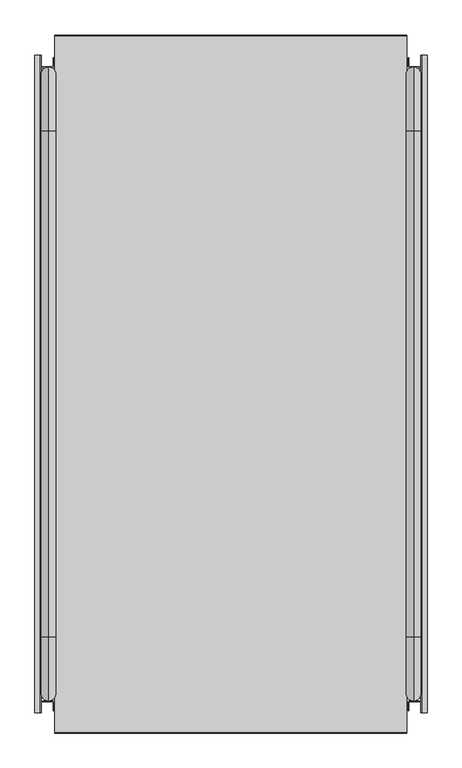
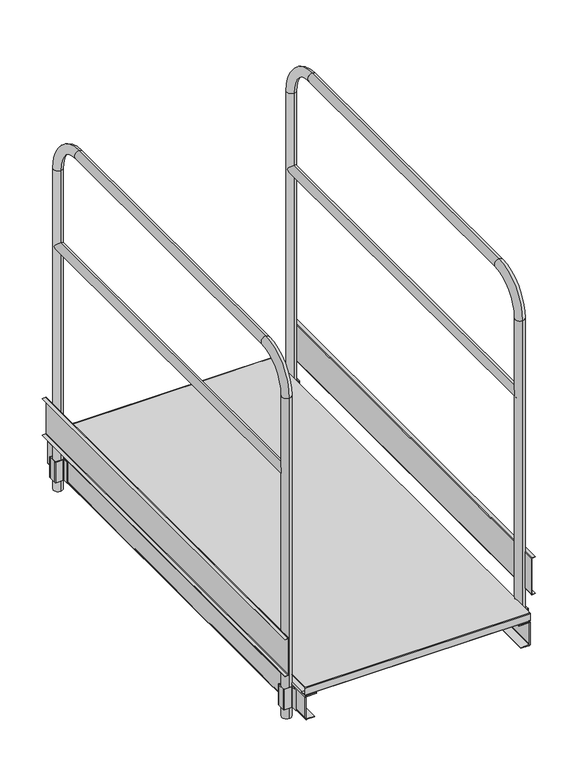
"""IFC4 building model written with IfcOpenShell, lengths in millimetres: proxy geometry."""

from ifc_helpers import new_model, si_unit, point, frame, frame_2d, origin, place, context, project, spatial, polyline, circle_curve, ellipse_curve, trimmed, segment, composite_curve, outline, extrude, source, transform, mapped, element, save
from ifc_brep_helpers import plane_surface, cylinder_surface, revolved_surface, advanced_brep


def generic_models_36c819cc(model_context):
    return source(origin(), model_context, "Body", "SolidModel", [
        extrude(outline(composite_curve([segment(polyline([(-406.4, -1472.0), (-406.4, -1491.4748817)]), True, "CONTINUOUS"), segment(trimmed(circle_curve(frame_2d((-409.4230444, -1491.4748817)), 3.0230444), [point((-406.4, -1491.4748817))], [point((-409.4230444, -1494.497926))], False, "CARTESIAN"), True, "CONTINUOUS"), segment(polyline([(-409.4230444, -1494.497926), (-435.9451631, -1494.497926)]), True, "CONTINUOUS"), segment(trimmed(circle_curve(frame_2d((-435.9451631, -1495.948615)), 1.450689), [point((-435.9451631, -1494.497926))], [point((-437.395852, -1495.948615))], True, "CARTESIAN"), True, "CONTINUOUS"), segment(polyline([(-437.395852, -1495.948615), (-437.395852, -1525.0309176)]), True, "CONTINUOUS"), segment(trimmed(circle_curve(frame_2d((-435.9329915, -1525.0309176)), 1.4628605), [point((-437.395852, -1525.0309176))], [point((-435.9329915, -1526.493778))], True, "CARTESIAN"), True, "CONTINUOUS"), segment(polyline([(-435.9329915, -1526.493778), (-409.3500083, -1526.493778)]), True, "CONTINUOUS"), segment(trimmed(circle_curve(frame_2d((-409.3500083, -1529.4437864)), 2.9500083), [point((-409.3500083, -1526.493778))], [point((-406.4, -1529.4437864))], False, "CARTESIAN"), True, "CONTINUOUS"), segment(polyline([(-406.4, -1529.4437864), (-406.4, -1548.9917041), (-407.9, -1548.9917041), (-407.9, -1529.4496571)]), True, "CONTINUOUS"), segment(trimmed(circle_curve(frame_2d((-409.3558791, -1529.4496571)), 1.4558791), [point((-407.9, -1529.4496571))], [point((-409.3558791, -1527.993778))], True, "CARTESIAN"), True, "CONTINUOUS"), segment(polyline([(-409.3558791, -1527.993778), (-435.9258011, -1527.993778)]), True, "CONTINUOUS"), segment(trimmed(circle_curve(frame_2d((-435.9258011, -1525.0237271)), 2.970051), [point((-435.9258011, -1527.993778))], [point((-438.895852, -1525.0237271))], False, "CARTESIAN"), True, "CONTINUOUS"), segment(polyline([(-438.895852, -1525.0237271), (-438.895852, -1496.0384913)]), True, "CONTINUOUS"), segment(trimmed(circle_curve(frame_2d((-435.8552868, -1496.0384913)), 3.0405652), [point((-438.895852, -1496.0384913))], [point((-435.8552868, -1492.997926))], False, "CARTESIAN"), True, "CONTINUOUS"), segment(polyline([(-435.8552868, -1492.997926), (-409.4117829, -1492.997926)]), True, "CONTINUOUS"), segment(trimmed(circle_curve(frame_2d((-409.4117829, -1491.4861431)), 1.5117829), [point((-409.4117829, -1492.997926))], [point((-407.9, -1491.4861431))], True, "CARTESIAN"), True, "CONTINUOUS"), segment(polyline([(-407.9, -1491.4861431), (-407.9, -1472.0), (-406.4, -1472.0)]), True, "CONTINUOUS")], self_intersect=False)), frame((0.0, 0.0, 40.0), z_axis=(0.0, 0.0, 1.0), x_axis=(1.0, 0.0, 0.0)), (0.0, 0.0, 1.0), 77.0),
        extrude(outline(composite_curve([segment(polyline([(-406.4, -52.0), (-406.4, -71.4748817)]), True, "CONTINUOUS"), segment(trimmed(circle_curve(frame_2d((-409.4230444, -71.4748817)), 3.0230444), [point((-406.4, -71.4748817))], [point((-409.4230444, -74.497926))], False, "CARTESIAN"), True, "CONTINUOUS"), segment(polyline([(-409.4230444, -74.497926), (-435.9451631, -74.497926)]), True, "CONTINUOUS"), segment(trimmed(circle_curve(frame_2d((-435.9451631, -75.948615)), 1.450689), [point((-435.9451631, -74.497926))], [point((-437.395852, -75.948615))], True, "CARTESIAN"), True, "CONTINUOUS"), segment(polyline([(-437.395852, -75.948615), (-437.395852, -105.0309176)]), True, "CONTINUOUS"), segment(trimmed(circle_curve(frame_2d((-435.9329915, -105.0309176)), 1.4628605), [point((-437.395852, -105.0309176))], [point((-435.9329915, -106.493778))], True, "CARTESIAN"), True, "CONTINUOUS"), segment(polyline([(-435.9329915, -106.493778), (-409.3500083, -106.493778)]), True, "CONTINUOUS"), segment(trimmed(circle_curve(frame_2d((-409.3500083, -109.4437864)), 2.9500083), [point((-409.3500083, -106.493778))], [point((-406.4, -109.4437864))], False, "CARTESIAN"), True, "CONTINUOUS"), segment(polyline([(-406.4, -109.4437864), (-406.4, -128.9917041), (-407.9, -128.9917041), (-407.9, -109.4496571)]), True, "CONTINUOUS"), segment(trimmed(circle_curve(frame_2d((-409.3558791, -109.4496571)), 1.4558791), [point((-407.9, -109.4496571))], [point((-409.3558791, -107.993778))], True, "CARTESIAN"), True, "CONTINUOUS"), segment(polyline([(-409.3558791, -107.993778), (-435.9258011, -107.993778)]), True, "CONTINUOUS"), segment(trimmed(circle_curve(frame_2d((-435.9258011, -105.0237271)), 2.970051), [point((-435.9258011, -107.993778))], [point((-438.895852, -105.0237271))], False, "CARTESIAN"), True, "CONTINUOUS"), segment(polyline([(-438.895852, -105.0237271), (-438.895852, -76.0384913)]), True, "CONTINUOUS"), segment(trimmed(circle_curve(frame_2d((-435.8552868, -76.0384913)), 3.0405652), [point((-438.895852, -76.0384913))], [point((-435.8552868, -72.997926))], False, "CARTESIAN"), True, "CONTINUOUS"), segment(polyline([(-435.8552868, -72.997926), (-409.4117829, -72.997926)]), True, "CONTINUOUS"), segment(trimmed(circle_curve(frame_2d((-409.4117829, -71.4861431)), 1.5117829), [point((-409.4117829, -72.997926))], [point((-407.9, -71.4861431))], True, "CARTESIAN"), True, "CONTINUOUS"), segment(polyline([(-407.9, -71.4861431), (-407.9, -52.0), (-406.4, -52.0)]), True, "CONTINUOUS")], self_intersect=False)), frame((0.0, 0.0, 39.9), z_axis=(0.0, 0.0, 1.0), x_axis=(1.0, 0.0, 0.0)), (0.0, 0.0, 1.0), 77.1),
        extrude(outline(composite_curve([segment(polyline([(406.4, -1472.0), (407.9, -1472.0), (407.9, -1491.4861431)]), True, "CONTINUOUS"), segment(trimmed(circle_curve(frame_2d((409.4117829, -1491.4861431)), 1.5117829), [point((407.9, -1491.4861431))], [point((409.4117829, -1492.997926))], True, "CARTESIAN"), True, "CONTINUOUS"), segment(polyline([(409.4117829, -1492.997926), (435.8552868, -1492.997926)]), True, "CONTINUOUS"), segment(trimmed(circle_curve(frame_2d((435.8552868, -1496.0384913)), 3.0405652), [point((435.8552868, -1492.997926))], [point((438.895852, -1496.0384913))], False, "CARTESIAN"), True, "CONTINUOUS"), segment(polyline([(438.895852, -1496.0384913), (438.895852, -1525.0237271)]), True, "CONTINUOUS"), segment(trimmed(circle_curve(frame_2d((435.9258011, -1525.0237271)), 2.970051), [point((438.895852, -1525.0237271))], [point((435.9258011, -1527.993778))], False, "CARTESIAN"), True, "CONTINUOUS"), segment(polyline([(435.9258011, -1527.993778), (409.3558791, -1527.993778)]), True, "CONTINUOUS"), segment(trimmed(circle_curve(frame_2d((409.3558791, -1529.4496571)), 1.4558791), [point((409.3558791, -1527.993778))], [point((407.9, -1529.4496571))], True, "CARTESIAN"), True, "CONTINUOUS"), segment(polyline([(407.9, -1529.4496571), (407.9, -1548.991704), (406.4, -1548.991704), (406.4, -1529.4437864)]), True, "CONTINUOUS"), segment(trimmed(circle_curve(frame_2d((409.3500083, -1529.4437864)), 2.9500083), [point((406.4, -1529.4437864))], [point((409.3500083, -1526.493778))], False, "CARTESIAN"), True, "CONTINUOUS"), segment(polyline([(409.3500083, -1526.493778), (435.9329915, -1526.493778)]), True, "CONTINUOUS"), segment(trimmed(circle_curve(frame_2d((435.9329915, -1525.0309176)), 1.4628605), [point((435.9329915, -1526.493778))], [point((437.395852, -1525.0309176))], True, "CARTESIAN"), True, "CONTINUOUS"), segment(polyline([(437.395852, -1525.0309176), (437.395852, -1495.948615)]), True, "CONTINUOUS"), segment(trimmed(circle_curve(frame_2d((435.9451631, -1495.948615)), 1.450689), [point((437.395852, -1495.948615))], [point((435.9451631, -1494.497926))], True, "CARTESIAN"), True, "CONTINUOUS"), segment(polyline([(435.9451631, -1494.497926), (409.4230444, -1494.497926)]), True, "CONTINUOUS"), segment(trimmed(circle_curve(frame_2d((409.4230444, -1491.4748817)), 3.0230444), [point((409.4230444, -1494.497926))], [point((406.4, -1491.4748817))], False, "CARTESIAN"), True, "CONTINUOUS"), segment(polyline([(406.4, -1491.4748817), (406.4, -1472.0)]), True, "CONTINUOUS")], self_intersect=False)), frame((0.0, 0.0, 39.9), z_axis=(0.0, 0.0, 1.0), x_axis=(1.0, 0.0, 0.0)), (0.0, 0.0, 1.0), 77.1),
        extrude(outline(composite_curve([segment(polyline([(406.4, -52.0), (407.9, -52.0), (407.9, -71.4861431)]), True, "CONTINUOUS"), segment(trimmed(circle_curve(frame_2d((409.4117829, -71.4861431)), 1.5117829), [point((407.9, -71.4861431))], [point((409.4117829, -72.997926))], True, "CARTESIAN"), True, "CONTINUOUS"), segment(polyline([(409.4117829, -72.997926), (435.8552868, -72.997926)]), True, "CONTINUOUS"), segment(trimmed(circle_curve(frame_2d((435.8552868, -76.0384913)), 3.0405652), [point((435.8552868, -72.997926))], [point((438.895852, -76.0384913))], False, "CARTESIAN"), True, "CONTINUOUS"), segment(polyline([(438.895852, -76.0384913), (438.895852, -105.0237271)]), True, "CONTINUOUS"), segment(trimmed(circle_curve(frame_2d((435.9258011, -105.0237271)), 2.970051), [point((438.895852, -105.0237271))], [point((435.9258011, -107.993778))], False, "CARTESIAN"), True, "CONTINUOUS"), segment(polyline([(435.9258011, -107.993778), (409.3558791, -107.993778)]), True, "CONTINUOUS"), segment(trimmed(circle_curve(frame_2d((409.3558791, -109.4496571)), 1.4558791), [point((409.3558791, -107.993778))], [point((407.9, -109.4496571))], True, "CARTESIAN"), True, "CONTINUOUS"), segment(polyline([(407.9, -109.4496571), (407.9, -128.9917041), (406.4, -128.9917041), (406.4, -109.4437864)]), True, "CONTINUOUS"), segment(trimmed(circle_curve(frame_2d((409.3500083, -109.4437864)), 2.9500083), [point((406.4, -109.4437864))], [point((409.3500083, -106.493778))], False, "CARTESIAN"), True, "CONTINUOUS"), segment(polyline([(409.3500083, -106.493778), (435.9329915, -106.493778)]), True, "CONTINUOUS"), segment(trimmed(circle_curve(frame_2d((435.9329915, -105.0309176)), 1.4628605), [point((435.9329915, -106.493778))], [point((437.395852, -105.0309176))], True, "CARTESIAN"), True, "CONTINUOUS"), segment(polyline([(437.395852, -105.0309176), (437.395852, -75.948615)]), True, "CONTINUOUS"), segment(trimmed(circle_curve(frame_2d((435.9451631, -75.948615)), 1.450689), [point((437.395852, -75.948615))], [point((435.9451631, -74.497926))], True, "CARTESIAN"), True, "CONTINUOUS"), segment(polyline([(435.9451631, -74.497926), (409.4230444, -74.497926)]), True, "CONTINUOUS"), segment(trimmed(circle_curve(frame_2d((409.4230444, -71.4748817)), 3.0230444), [point((409.4230444, -74.497926))], [point((406.4, -71.4748817))], False, "CARTESIAN"), True, "CONTINUOUS"), segment(polyline([(406.4, -71.4748817), (406.4, -52.0)]), True, "CONTINUOUS")], self_intersect=False)), frame((0.0, 0.0, 39.9), z_axis=(0.0, 0.0, 1.0), x_axis=(1.0, 0.0, 0.0)), (0.0, 0.0, 1.0), 77.1),
        extrude(outline(composite_curve([segment(polyline([(-2.2122337, 123.9), (-21.5, 123.9), (-21.5, 125.4), (-2.2817326, 125.4)]), True, "CONTINUOUS"), segment(trimmed(circle_curve(frame_2d((-2.2817326, 126.1817326)), 0.7817326), [point((-2.2817326, 125.4))], [point((-1.5, 126.1817326))], True, "CARTESIAN"), True, "CONTINUOUS"), segment(polyline([(-1.5, 126.1817326), (-1.5, 153.6236264)]), True, "CONTINUOUS"), segment(trimmed(circle_curve(frame_2d((-2.2763736, 153.6236264)), 0.7763736), [point((-1.5, 153.6236264))], [point((-2.2763736, 154.4))], True, "CARTESIAN"), True, "CONTINUOUS"), segment(polyline([(-2.2763736, 154.4), (-1597.7504578, 154.4)]), True, "CONTINUOUS"), segment(trimmed(circle_curve(frame_2d((-1597.7504578, 153.6504578)), 0.7495422), [point((-1597.7504578, 154.4))], [point((-1598.5, 153.6504578))], True, "CARTESIAN"), True, "CONTINUOUS"), segment(polyline([(-1598.5, 153.6504578), (-1598.5, 127.6666804)]), True, "CONTINUOUS"), segment(trimmed(circle_curve(frame_2d((-1597.7333196, 127.6666804)), 0.7666804), [point((-1598.5, 127.6666804))], [point((-1597.7333196, 126.9))], True, "CARTESIAN"), True, "CONTINUOUS"), segment(polyline([(-1597.7333196, 126.9), (-1577.0, 126.9), (-1577.0, 125.4), (-1597.7081083, 125.4)]), True, "CONTINUOUS"), segment(trimmed(circle_curve(frame_2d((-1597.7081083, 127.6918917)), 2.2918917), [point((-1597.7081083, 125.4))], [point((-1600.0, 127.6918917))], False, "CARTESIAN"), True, "CONTINUOUS"), segment(polyline([(-1600.0, 127.6918917), (-1600.0, 153.6006995)]), True, "CONTINUOUS"), segment(trimmed(circle_curve(frame_2d((-1597.7006995, 153.6006995)), 2.2993005), [point((-1600.0, 153.6006995))], [point((-1597.7006995, 155.9))], False, "CARTESIAN"), True, "CONTINUOUS"), segment(polyline([(-1597.7006995, 155.9), (-2.2762062, 155.9)]), True, "CONTINUOUS"), segment(trimmed(circle_curve(frame_2d((-2.2762062, 153.6237938)), 2.2762062), [point((-2.2762062, 155.9))], [point((0.0, 153.6237938))], False, "CARTESIAN"), True, "CONTINUOUS"), segment(polyline([(0.0, 153.6237938), (0.0, 126.1122337)]), True, "CONTINUOUS"), segment(trimmed(circle_curve(frame_2d((-2.2122337, 126.1122337)), 2.2122337), [point((0.0, 126.1122337))], [point((-2.2122337, 123.9))], False, "CARTESIAN"), True, "CONTINUOUS")], self_intersect=False)), frame((-403.4, 0.0, 0.0), z_axis=(1.0, 0.0, 0.0), x_axis=(0.0, 1.0, 0.0)), (0.0, 0.0, 1.0), 806.8),
        extrude(outline(composite_curve([segment(polyline([(36.9, -370.4), (36.9, -398.9177655)]), True, "CONTINUOUS"), segment(trimmed(circle_curve(frame_2d((38.3822345, -398.9177655)), 1.4822345), [point((36.9, -398.9177655))], [point((38.3822345, -400.4))], True, "CARTESIAN"), True, "CONTINUOUS"), segment(polyline([(38.3822345, -400.4), (119.4062089, -400.4)]), True, "CONTINUOUS"), segment(trimmed(circle_curve(frame_2d((119.4062089, -398.9062089)), 1.4937911), [point((119.4062089, -400.4))], [point((120.9, -398.9062089))], True, "CARTESIAN"), True, "CONTINUOUS"), segment(polyline([(120.9, -398.9062089), (120.9, -363.4), (123.9, -363.4), (123.9, -398.9009143)]), True, "CONTINUOUS"), segment(trimmed(circle_curve(frame_2d((119.4009143, -398.9009143)), 4.4990857), [point((123.9, -398.9009143))], [point((119.4009143, -403.4))], False, "CARTESIAN"), True, "CONTINUOUS"), segment(polyline([(119.4009143, -403.4), (38.4492193, -403.4)]), True, "CONTINUOUS"), segment(trimmed(circle_curve(frame_2d((38.4492193, -398.8507807)), 4.5492193), [point((38.4492193, -403.4))], [point((33.9, -398.8507807))], False, "CARTESIAN"), True, "CONTINUOUS"), segment(polyline([(33.9, -398.8507807), (33.9, -370.4), (36.9, -370.4)]), True, "CONTINUOUS")], self_intersect=False)), frame((0.0, -1600.0, 0.0), z_axis=(0.0, 1.0, 0.0), x_axis=(0.0, 0.0, 1.0)), (0.0, 0.0, 1.0), 1600.0),
        extrude(outline(composite_curve([segment(polyline([(36.9, 370.4), (33.9, 370.4), (33.9, 398.8507807)]), True, "CONTINUOUS"), segment(trimmed(circle_curve(frame_2d((38.4492193, 398.8507807)), 4.5492193), [point((33.9, 398.8507807))], [point((38.4492193, 403.4))], False, "CARTESIAN"), True, "CONTINUOUS"), segment(polyline([(38.4492193, 403.4), (119.4009143, 403.4)]), True, "CONTINUOUS"), segment(trimmed(circle_curve(frame_2d((119.4009143, 398.9009143)), 4.4990857), [point((119.4009143, 403.4))], [point((123.9, 398.9009143))], False, "CARTESIAN"), True, "CONTINUOUS"), segment(polyline([(123.9, 398.9009143), (123.9, 363.4), (120.9, 363.4), (120.9, 398.9062089)]), True, "CONTINUOUS"), segment(trimmed(circle_curve(frame_2d((119.4062089, 398.9062089)), 1.4937911), [point((120.9, 398.9062089))], [point((119.4062089, 400.4))], True, "CARTESIAN"), True, "CONTINUOUS"), segment(polyline([(119.4062089, 400.4), (38.3822345, 400.4)]), True, "CONTINUOUS"), segment(trimmed(circle_curve(frame_2d((38.3822345, 398.9177655)), 1.4822345), [point((38.3822345, 400.4))], [point((36.9, 398.9177655))], True, "CARTESIAN"), True, "CONTINUOUS"), segment(polyline([(36.9, 398.9177655), (36.9, 370.4)]), True, "CONTINUOUS")], self_intersect=False)), frame((0.0, -1600.0, 0.0), z_axis=(0.0, 1.0, 0.0), x_axis=(0.0, 0.0, 1.0)), (0.0, 0.0, 1.0), 1600.0),
        extrude(outline(composite_curve([segment(polyline([(324.4, -449.395852), (324.4, -437.474457)]), True, "CONTINUOUS"), segment(trimmed(circle_curve(frame_2d((322.8213951, -437.474457)), 1.5786049), [point((324.4, -437.474457))], [point((322.8213951, -435.895852))], True, "CARTESIAN"), True, "CONTINUOUS"), segment(polyline([(322.8213951, -435.895852), (188.8917095, -435.895852)]), True, "CONTINUOUS"), segment(trimmed(circle_curve(frame_2d((188.8917095, -437.3875615)), 1.4917095), [point((188.8917095, -435.895852))], [point((187.4, -437.3875615))], True, "CARTESIAN"), True, "CONTINUOUS"), segment(polyline([(187.4, -437.3875615), (187.4, -449.395852), (185.9, -449.395852), (185.9, -437.3786851)]), True, "CONTINUOUS"), segment(trimmed(circle_curve(frame_2d((188.8828331, -437.3786851)), 2.9828331), [point((185.9, -437.3786851))], [point((188.8828331, -434.395852))], False, "CARTESIAN"), True, "CONTINUOUS"), segment(polyline([(188.8828331, -434.395852), (322.9449835, -434.395852)]), True, "CONTINUOUS"), segment(trimmed(circle_curve(frame_2d((322.9449835, -437.3508685)), 2.9550165), [point((322.9449835, -434.395852))], [point((325.9, -437.3508685))], False, "CARTESIAN"), True, "CONTINUOUS"), segment(polyline([(325.9, -437.3508685), (325.9, -449.395852), (324.4, -449.395852)]), True, "CONTINUOUS")], self_intersect=False)), frame((0.0, -1553.0, 0.0), z_axis=(0.0, 1.0, 0.0), x_axis=(0.0, 0.0, 1.0)), (0.0, 0.0, 1.0), 1506.0),
        extrude(outline(composite_curve([segment(polyline([(324.4, 449.395852), (325.9, 449.395852), (325.9, 437.3508685)]), True, "CONTINUOUS"), segment(trimmed(circle_curve(frame_2d((322.9449835, 437.3508685)), 2.9550165), [point((325.9, 437.3508685))], [point((322.9449835, 434.395852))], False, "CARTESIAN"), True, "CONTINUOUS"), segment(polyline([(322.9449835, 434.395852), (188.8828331, 434.395852)]), True, "CONTINUOUS"), segment(trimmed(circle_curve(frame_2d((188.8828331, 437.3786851)), 2.9828331), [point((188.8828331, 434.395852))], [point((185.9, 437.3786851))], False, "CARTESIAN"), True, "CONTINUOUS"), segment(polyline([(185.9, 437.3786851), (185.9, 449.395852), (187.4, 449.395852), (187.4, 437.3875615)]), True, "CONTINUOUS"), segment(trimmed(circle_curve(frame_2d((188.8917095, 437.3875615)), 1.4917095), [point((187.4, 437.3875615))], [point((188.8917095, 435.895852))], True, "CARTESIAN"), True, "CONTINUOUS"), segment(polyline([(188.8917095, 435.895852), (322.8213951, 435.895852)]), True, "CONTINUOUS"), segment(trimmed(circle_curve(frame_2d((322.8213951, 437.474457)), 1.5786049), [point((322.8213951, 435.895852))], [point((324.4, 437.474457))], True, "CARTESIAN"), True, "CONTINUOUS"), segment(polyline([(324.4, 437.474457), (324.4, 449.395852)]), True, "CONTINUOUS")], self_intersect=False)), frame((0.0, -1553.0, 0.0), z_axis=(0.0, 1.0, 0.0), x_axis=(0.0, 0.0, 1.0)), (0.0, 0.0, 1.0), 1506.0),
        extrude(outline(composite_curve([segment(trimmed(circle_curve(frame_2d((925.0955247, 418.395852)), 15.963358), [point((909.1321667, 418.395852))], [point((941.0588827, 418.395852))], False, "CARTESIAN"), True, "CONTINUOUS"), segment(trimmed(circle_curve(frame_2d((925.0955247, 418.395852)), 15.963358), [point((941.0588827, 418.395852))], [point((909.1321667, 418.395852))], False, "CARTESIAN"), True, "CONTINUOUS")], self_intersect=False)), frame((0.0, -1509.933073, 0.0), z_axis=(0.0, 1.0, 0.0), x_axis=(0.0, 0.0, 1.0)), (0.0, 0.0, 1.0), 1420.0),
        extrude(outline(composite_curve([segment(trimmed(circle_curve(frame_2d((925.0955247, -418.395852)), 15.963358), [point((909.1321667, -418.395852))], [point((941.0588827, -418.395852))], False, "CARTESIAN"), True, "CONTINUOUS"), segment(trimmed(circle_curve(frame_2d((925.0955247, -418.395852)), 15.963358), [point((941.0588827, -418.395852))], [point((909.1321667, -418.395852))], False, "CARTESIAN"), True, "CONTINUOUS")], self_intersect=False)), frame((0.0, -1509.933073, 0.0), z_axis=(0.0, 1.0, 0.0), x_axis=(0.0, 0.0, 1.0)), (0.0, 0.0, 1.0), 1420.0),
        advanced_brep(
        [(418.395852, -73.4392949, 0.0), (418.395852, -106.426851, 0.0), (418.395852, -106.426851, 1214.0822108), (418.395852, -73.4392949, 1214.0822108), (418.395852, -219.933073, 1360.5759888), (418.395852, -219.933073, 1327.5884327), (418.395852, -1379.933073, 1327.5884327), (418.395852, -1379.933073, 1360.5759888), (418.395852, -1526.426851, 1214.0822108), (418.395852, -1493.4392949, 1214.0822108), (418.395852, -1526.426851, 0.0), (418.395852, -1493.4392949, 0.0)],
        [
            (0, 1, circle_curve(frame((418.395852, -89.933073, 0.0), z_axis=(0.0, 0.0, -1.0), x_axis=(0.0, -1.0, 0.0)), 16.493778)),
            (1, 0, circle_curve(frame((418.395852, -89.933073, 0.0), z_axis=(0.0, 0.0, -1.0), x_axis=(0.0, -1.0, 0.0)), 16.493778)),
            (1, 2),
            (2, 3, circle_curve(frame((418.395852, -89.933073, 1214.0822108), z_axis=(0.0, 0.0, -1.0), x_axis=(0.0, -1.0, 0.0)), 16.493778)),
            (3, 0),
            (3, 2, circle_curve(frame((418.395852, -89.933073, 1214.0822108), z_axis=(0.0, 0.0, -1.0), x_axis=(0.0, -1.0, 0.0)), 16.493778)),
            (4, 3, circle_curve(frame((418.395852, -219.933073, 1214.0822108), z_axis=(-1.0, 0.0, 0.0), x_axis=(0.0, 1.0, 0.0)), 146.493778)),
            (2, 5, circle_curve(frame((418.395852, -219.933073, 1214.0822108), z_axis=(1.0, 0.0, 0.0), x_axis=(0.0, 1.0, 0.0)), 113.506222)),
            (5, 4, circle_curve(frame((418.395852, -219.933073, 1344.0822108), z_axis=(0.0, 1.0, 0.0), x_axis=(0.0, 0.0, -1.0)), 16.493778)),
            (4, 5, circle_curve(frame((418.395852, -219.933073, 1344.0822108), z_axis=(0.0, 1.0, 0.0), x_axis=(0.0, 0.0, -1.0)), 16.493778)),
            (5, 6),
            (6, 7, circle_curve(frame((418.395852, -1379.933073, 1344.0822108), z_axis=(0.0, 1.0, 0.0), x_axis=(0.0, 0.0, -1.0)), 16.493778)),
            (7, 4),
            (7, 6, circle_curve(frame((418.395852, -1379.933073, 1344.0822108), z_axis=(0.0, 1.0, 0.0), x_axis=(0.0, 0.0, -1.0)), 16.493778)),
            (8, 7, circle_curve(frame((418.395852, -1379.933073, 1214.0822108), z_axis=(-1.0, 0.0, 0.0), x_axis=(0.0, 0.0, 1.0)), 146.493778)),
            (6, 9, circle_curve(frame((418.395852, -1379.933073, 1214.0822108), z_axis=(1.0, 0.0, 0.0), x_axis=(0.0, 0.0, 1.0)), 113.506222)),
            (9, 8, circle_curve(frame((418.395852, -1509.933073, 1214.0822108), z_axis=(0.0, 0.0, 1.0), x_axis=(0.0, 1.0, 0.0)), 16.493778)),
            (8, 9, circle_curve(frame((418.395852, -1509.933073, 1214.0822108), z_axis=(0.0, 0.0, 1.0), x_axis=(0.0, 1.0, 0.0)), 16.493778)),
            (10, 11, circle_curve(frame((418.395852, -1509.933073, 0.0), z_axis=(0.0, 0.0, -1.0), x_axis=(0.0, 1.0, 0.0)), 16.493778)),
            (11, 10, circle_curve(frame((418.395852, -1509.933073, 0.0), z_axis=(0.0, 0.0, -1.0), x_axis=(0.0, 1.0, 0.0)), 16.493778)),
            (9, 11),
            (10, 8),
        ],
        [
            plane_surface(frame((418.395852, -89.933073, 0.0), z_axis=(0.0, 0.0, -1.0), x_axis=(1.0, 0.0, 0.0))),
            cylinder_surface(frame((418.395852, -89.933073, 0.0), z_axis=(0.0, 0.0, -1.0), x_axis=(0.0, -1.0, 0.0)), 16.493778),
            revolved_surface(trimmed(ellipse_curve(frame((418.395852, -89.933073, 1214.0822108), z_axis=(0.0, 0.0, -1.0), x_axis=(0.0, -1.0, 0.0)), 16.493778, 16.493778), [point((418.395852, -106.426851, 1214.0822108))], [point((418.395852, -73.4392949, 1214.0822108))], True, "CARTESIAN"), (418.395852, -219.933073, 1214.0822108), (1.0, 0.0, 0.0)),
            revolved_surface(trimmed(ellipse_curve(frame((418.395852, -89.933073, 1214.0822108), z_axis=(0.0, 0.0, -1.0), x_axis=(0.0, -1.0, 0.0)), 16.493778, 16.493778), [point((418.395852, -73.4392949, 1214.0822108))], [point((418.395852, -106.426851, 1214.0822108))], True, "CARTESIAN"), (418.395852, -219.933073, 1214.0822108), (1.0, 0.0, 0.0)),
            cylinder_surface(frame((418.395852, -219.933073, 1344.0822108), z_axis=(0.0, 1.0, 0.0), x_axis=(0.0, 0.0, -1.0)), 16.493778),
            revolved_surface(trimmed(ellipse_curve(frame((418.395852, -1379.933073, 1344.0822108), z_axis=(0.0, 1.0, 0.0), x_axis=(0.0, 0.0, -1.0)), 16.493778, 16.493778), [point((418.395852, -1379.933073, 1327.5884327))], [point((418.395852, -1379.933073, 1360.5759888))], True, "CARTESIAN"), (418.395852, -1379.933073, 1214.0822108), (1.0, 0.0, 0.0)),
            revolved_surface(trimmed(ellipse_curve(frame((418.395852, -1379.933073, 1344.0822108), z_axis=(0.0, 1.0, 0.0), x_axis=(0.0, 0.0, -1.0)), 16.493778, 16.493778), [point((418.395852, -1379.933073, 1360.5759888))], [point((418.395852, -1379.933073, 1327.5884327))], True, "CARTESIAN"), (418.395852, -1379.933073, 1214.0822108), (1.0, 0.0, 0.0)),
            plane_surface(frame((418.395852, -1509.933073, 0.0), z_axis=(0.0, 0.0, -1.0), x_axis=(1.0, 0.0, 0.0))),
            cylinder_surface(frame((418.395852, -1509.933073, 1214.0822108), z_axis=(0.0, 0.0, 1.0), x_axis=(0.0, 1.0, 0.0)), 16.493778),
        ],
        [
            (0, [[1, 2]]),
            (1, [[-2, 3, 4, 5]]),
            (1, [[-1, -5, 6, -3]]),
            (2, [[7, -4, 8, 9]]),
            (3, [[-8, -6, -7, 10]]),
            (4, [[-9, 11, 12, 13]]),
            (4, [[-10, -13, 14, -11]]),
            (5, [[15, -12, 16, 17]]),
            (6, [[-16, -14, -15, 18]]),
            (7, [[19, 20]]),
            (8, [[-17, 21, -19, 22]]),
            (8, [[-18, -22, -20, -21]]),
        ],
    ),
        advanced_brep(
        [(-418.395852, -106.426851, 0.0), (-418.395852, -73.4392949, 0.0), (-418.395852, -106.426851, 1214.0822108), (-418.395852, -73.4392949, 1214.0822108), (-418.395852, -219.933073, 1360.5759888), (-418.395852, -219.933073, 1327.5884327), (-418.395852, -1379.933073, 1327.5884327), (-418.395852, -1379.933073, 1360.5759888), (-418.395852, -1526.426851, 1214.0822108), (-418.395852, -1493.4392949, 1214.0822108), (-418.395852, -1493.4392949, 0.0), (-418.395852, -1526.426851, 0.0)],
        [
            (0, 1, circle_curve(frame((-418.395852, -89.933073, 0.0), z_axis=(0.0, 0.0, -1.0), x_axis=(0.0, 1.0, 0.0)), 16.493778)),
            (1, 0, circle_curve(frame((-418.395852, -89.933073, 0.0), z_axis=(0.0, 0.0, -1.0), x_axis=(0.0, 1.0, 0.0)), 16.493778)),
            (0, 2),
            (2, 3, circle_curve(frame((-418.395852, -89.933073, 1214.0822108), z_axis=(0.0, 0.0, -1.0), x_axis=(0.0, 1.0, 0.0)), 16.493778)),
            (3, 1),
            (3, 2, circle_curve(frame((-418.395852, -89.933073, 1214.0822108), z_axis=(0.0, 0.0, -1.0), x_axis=(0.0, 1.0, 0.0)), 16.493778)),
            (4, 3, circle_curve(frame((-418.395852, -219.933073, 1214.0822108), z_axis=(-1.0, 0.0, 0.0), x_axis=(0.0, 1.0, 0.0)), 146.493778)),
            (2, 5, circle_curve(frame((-418.395852, -219.933073, 1214.0822108), z_axis=(1.0, 0.0, 0.0), x_axis=(0.0, 1.0, 0.0)), 113.506222)),
            (5, 4, circle_curve(frame((-418.395852, -219.933073, 1344.0822108), z_axis=(0.0, 1.0, 0.0), x_axis=(0.0, 0.0, 1.0)), 16.493778)),
            (4, 5, circle_curve(frame((-418.395852, -219.933073, 1344.0822108), z_axis=(0.0, 1.0, 0.0), x_axis=(0.0, 0.0, 1.0)), 16.493778)),
            (5, 6),
            (6, 7, circle_curve(frame((-418.395852, -1379.933073, 1344.0822108), z_axis=(0.0, 1.0, 0.0), x_axis=(0.0, 0.0, 1.0)), 16.493778)),
            (7, 4),
            (7, 6, circle_curve(frame((-418.395852, -1379.933073, 1344.0822108), z_axis=(0.0, 1.0, 0.0), x_axis=(0.0, 0.0, 1.0)), 16.493778)),
            (8, 7, circle_curve(frame((-418.395852, -1379.933073, 1214.0822108), z_axis=(-1.0, 0.0, 0.0), x_axis=(0.0, 0.0, 1.0)), 146.493778)),
            (6, 9, circle_curve(frame((-418.395852, -1379.933073, 1214.0822108), z_axis=(1.0, 0.0, 0.0), x_axis=(0.0, 0.0, 1.0)), 113.506222)),
            (9, 8, circle_curve(frame((-418.395852, -1509.933073, 1214.0822108), z_axis=(0.0, 0.0, 1.0), x_axis=(0.0, -1.0, 0.0)), 16.493778)),
            (8, 9, circle_curve(frame((-418.395852, -1509.933073, 1214.0822108), z_axis=(0.0, 0.0, 1.0), x_axis=(0.0, -1.0, 0.0)), 16.493778)),
            (10, 11, circle_curve(frame((-418.395852, -1509.933073, 0.0), z_axis=(0.0, 0.0, -1.0), x_axis=(0.0, -1.0, 0.0)), 16.493778)),
            (11, 10, circle_curve(frame((-418.395852, -1509.933073, 0.0), z_axis=(0.0, 0.0, -1.0), x_axis=(0.0, -1.0, 0.0)), 16.493778)),
            (9, 10),
            (11, 8),
        ],
        [
            plane_surface(frame((-418.395852, -89.933073, 0.0), z_axis=(0.0, 0.0, -1.0), x_axis=(-1.0, 0.0, 0.0))),
            cylinder_surface(frame((-418.395852, -89.933073, 0.0), z_axis=(0.0, 0.0, -1.0), x_axis=(0.0, 1.0, 0.0)), 16.493778),
            revolved_surface(trimmed(ellipse_curve(frame((-418.395852, -89.933073, 1214.0822108), z_axis=(0.0, 0.0, -1.0), x_axis=(0.0, 1.0, 0.0)), 16.493778, 16.493778), [point((-418.395852, -106.426851, 1214.0822108))], [point((-418.395852, -73.4392949, 1214.0822108))], True, "CARTESIAN"), (-418.395852, -219.933073, 1214.0822108), (1.0, 0.0, 0.0)),
            revolved_surface(trimmed(ellipse_curve(frame((-418.395852, -89.933073, 1214.0822108), z_axis=(0.0, 0.0, -1.0), x_axis=(0.0, 1.0, 0.0)), 16.493778, 16.493778), [point((-418.395852, -73.4392949, 1214.0822108))], [point((-418.395852, -106.426851, 1214.0822108))], True, "CARTESIAN"), (-418.395852, -219.933073, 1214.0822108), (1.0, 0.0, 0.0)),
            cylinder_surface(frame((-418.395852, -219.933073, 1344.0822108), z_axis=(0.0, 1.0, 0.0), x_axis=(0.0, 0.0, 1.0)), 16.493778),
            revolved_surface(trimmed(ellipse_curve(frame((-418.395852, -1379.933073, 1344.0822108), z_axis=(0.0, 1.0, 0.0), x_axis=(0.0, 0.0, 1.0)), 16.493778, 16.493778), [point((-418.395852, -1379.933073, 1327.5884327))], [point((-418.395852, -1379.933073, 1360.5759888))], True, "CARTESIAN"), (-418.395852, -1379.933073, 1214.0822108), (1.0, 0.0, 0.0)),
            revolved_surface(trimmed(ellipse_curve(frame((-418.395852, -1379.933073, 1344.0822108), z_axis=(0.0, 1.0, 0.0), x_axis=(0.0, 0.0, 1.0)), 16.493778, 16.493778), [point((-418.395852, -1379.933073, 1360.5759888))], [point((-418.395852, -1379.933073, 1327.5884327))], True, "CARTESIAN"), (-418.395852, -1379.933073, 1214.0822108), (1.0, 0.0, 0.0)),
            plane_surface(frame((-418.395852, -1509.933073, 0.0), z_axis=(0.0, 0.0, -1.0), x_axis=(-1.0, 0.0, 0.0))),
            cylinder_surface(frame((-418.395852, -1509.933073, 1214.0822108), z_axis=(0.0, 0.0, 1.0), x_axis=(0.0, -1.0, 0.0)), 16.493778),
        ],
        [
            (0, [[1, 2]]),
            (1, [[-1, 3, 4, 5]]),
            (1, [[-2, -5, 6, -3]]),
            (2, [[7, -4, 8, 9]]),
            (3, [[-8, -6, -7, 10]]),
            (4, [[-9, 11, 12, 13]]),
            (4, [[-10, -13, 14, -11]]),
            (5, [[15, -12, 16, 17]]),
            (6, [[-16, -14, -15, 18]]),
            (7, [[19, 20]]),
            (8, [[-17, 21, -20, 22]]),
            (8, [[-18, -22, -19, -21]]),
        ],
    ),
    ])


if __name__ == "__main__":
    model = new_model("IFC4")
    model_context = context("Model", 3, world=origin())
    ifc_project = project(units=[si_unit("LENGTHUNIT", "METRE", prefix="MILLI")], contexts=[model_context])
    site = spatial("IfcSite", under=ifc_project)
    building = spatial("IfcBuilding", under=site)
    placement = place(None, origin())
    generic_models_shape = generic_models_36c819cc(model_context)
    element("IfcBuildingElementProxy", 1, Name="Generic Models", at=placement, inside=building, context=model_context, shape_type="MappedRepresentation", body=[
        mapped(generic_models_shape, transform((0.0, 0.0, 0.0), x_axis=(1.0, 0.0, 0.0), y_axis=(0.0, 1.0, 0.0), z_axis=(0.0, 0.0, 1.0))),
    ])
    save(model, "model.ifc")
